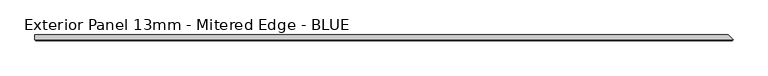
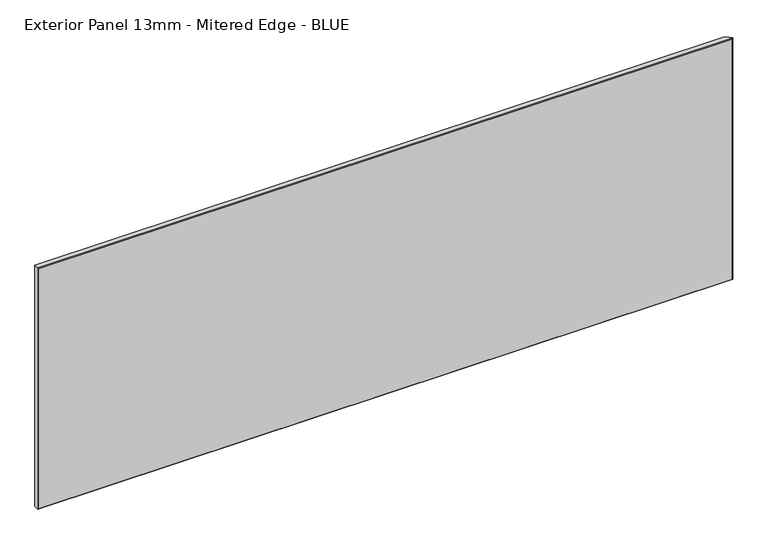
"""IFC4 building model written with IfcOpenShell, lengths in millimetres: proxy geometry, Exterior Panel 13mm - Mitered Edge - BLUE."""

from ifc_helpers import new_model, si_unit, origin, place, context, project, spatial, faceted_brep, source, transform, mapped, element, save


def exterior_panel_13mm_mitered_edge_blue_abbc6ead(model_context):
    return source(origin(), model_context, "Body", "Brep", [
        faceted_brep([(1087.4375, 6.35, 571.5), (-457.2, 6.35, 571.5), (-457.2, -4.7625, 571.5), (1098.55, -4.7625, 571.5), (1087.4375, 6.35, 0.0), (1098.55, -4.7625, 0.0), (-457.2, -4.7625, 0.0), (-457.2, 6.35, 0.0), (-455.6125, -6.35, 569.9125), (-455.6125, -6.35, 1.5875), (1096.9625, -6.35, 1.5875), (1096.9625, -6.35, 569.9125)], [[[0, 1, 2, 3]], [[4, 5, 6, 7]], [[1, 0, 4, 7]], [[2, 1, 7, 6]], [[8, 9, 10, 11]], [[2, 6, 9, 8]], [[5, 3, 11, 10]], [[3, 2, 8, 11]], [[6, 5, 10, 9]], [[0, 3, 5, 4]]]),
    ])


if __name__ == "__main__":
    model = new_model("IFC4")
    model_context = context("Model", 3, world=origin())
    ifc_project = project(units=[si_unit("LENGTHUNIT", "METRE", prefix="MILLI")], contexts=[model_context])
    site = spatial("IfcSite", under=ifc_project)
    building = spatial("IfcBuilding", under=site)
    placement = place(None, origin())
    exterior_panel_13mm_mitered_edge_blue_shape = exterior_panel_13mm_mitered_edge_blue_abbc6ead(model_context)
    element("IfcBuildingElementProxy", 1, Name="Exterior Panel 13mm - Mitered Edge - BLUE", ObjectType="Exterior Panel 13mm - Mitered Edge - BLUE", at=placement, inside=building, context=model_context, shape_type="MappedRepresentation", body=[
        mapped(exterior_panel_13mm_mitered_edge_blue_shape, transform((0.0, 0.0, 0.0), x_axis=(1.0, 0.0, 0.0), y_axis=(0.0, 1.0, 0.0), z_axis=(0.0, 0.0, 1.0))),
    ])
    save(model, "model.ifc")
